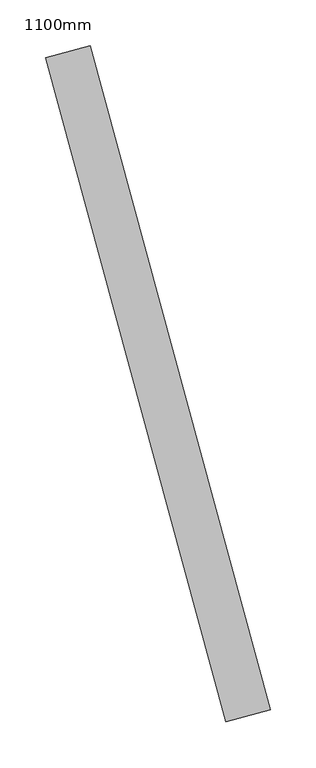
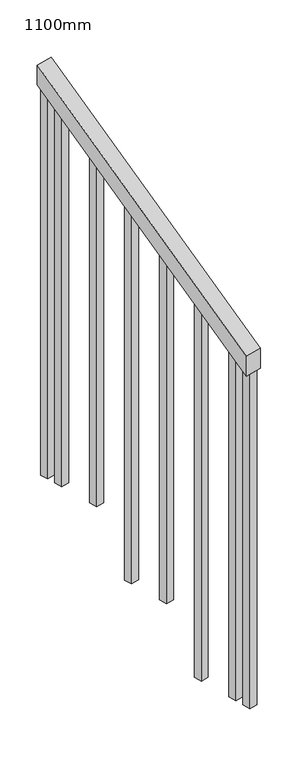
"""IFC4 building model written with IfcOpenShell, lengths in millimetres: railing geometry, 1100mm."""

from ifc_helpers import new_model, si_unit, frame, origin, place, context, project, spatial, polyline, outline, extrude, source, transform, mapped, element, save


def railing_1100mm_fb2a290f(model_context):
    return source(origin(), model_context, "Body", "SweptSolid", [
        extrude(outline(polyline([(-35.5555555, -50.0), (0.0, 0.0), (920.2958461, 0.0), (884.7402906, -50.0), (-35.5555555, -50.0)])), frame((218807.3969407, 77059.6289888, 1277.7777778), z_axis=(0.9649894123601852, 0.2622888370341834, 0.0), x_axis=(-0.21375368431595657, 0.7864232597554157, 0.5795237863599908)), (0.0, 0.0, 1.0), 50.0),
        extrude(outline(polyline([(108.8888889, 0.0), (91.1111112, 25.0), (1271.980277, 25.0), (1271.980277, 0.0), (108.8888889, 0.0)])), frame((218642.4143434, 77714.2754526, 1805.3136103), z_axis=(0.9649894123601821, 0.2622888370341949, 0.0), x_axis=(0.0, 0.0, -1.0)), (0.0, 0.0, 1.0), 25.0),
        extrude(outline(polyline([(108.8888889, 0.0), (91.1111111, 25.0000001), (1183.0913881, 25.0000001), (1183.0913881, 0.0), (108.8888889, 0.0)])), frame((218675.200448, 77593.651776, 1716.4247214), z_axis=(0.9649894123601821, 0.2622888370341949, 0.0), x_axis=(0.0, 0.0, -1.0)), (0.0, 0.0, 1.0), 25.0),
        extrude(outline(polyline([(108.8888889, 0.0), (91.1111111, 25.0), (1271.9802769, 25.0), (1271.9802769, 0.0), (108.8888889, 0.0)])), frame((218707.9865526, 77473.0280995, 1627.5358325), z_axis=(0.9649894123601821, 0.2622888370341949, 0.0), x_axis=(0.0, 0.0, -1.0)), (0.0, 0.0, 1.0), 25.0),
        extrude(outline(polyline([(108.8888889, 0.0), (91.1111111, 25.0), (1183.091388, 25.0), (1183.091388, 0.0), (108.8888889, 0.0)])), frame((218740.7726573, 77352.404423, 1538.6469436), z_axis=(0.9649894123601821, 0.2622888370341949, 0.0), x_axis=(0.0, 0.0, -1.0)), (0.0, 0.0, 1.0), 25.0),
        extrude(outline(polyline([(108.8888889, 0.0), (91.1111111, 25.0), (1271.9802769, 25.0), (1271.9802769, 0.0), (108.8888889, 0.0)])), frame((218773.5587619, 77231.7807464, 1449.7580547), z_axis=(0.9649894123601821, 0.2622888370341949, 0.0), x_axis=(0.0, 0.0, -1.0)), (0.0, 0.0, 1.0), 25.0),
        extrude(outline(polyline([(108.8888889, 0.0), (91.1111111, 25.0), (1183.091388, 25.0), (1183.091388, 0.0), (108.8888889, 0.0)])), frame((218806.3448665, 77111.1570699, 1360.8691658), z_axis=(0.9649894123601821, 0.2622888370341949, 0.0), x_axis=(0.0, 0.0, -1.0)), (0.0, 0.0, 1.0), 25.0),
        extrude(outline(polyline([(108.8888889, 0.0), (91.1111111, 25.0), (1307.5358325, 25.0), (1307.5358325, 0.0), (108.8888889, 0.0)])), frame((218629.2999015, 77762.5249232, 1840.8691658), z_axis=(0.9649894123601821, 0.2622888370341949, 0.0), x_axis=(0.0, 0.0, -1.0)), (0.0, 0.0, 1.0), 25.0),
        extrude(outline(polyline([(108.8888889, 0.0), (91.1111112, 25.0), (1147.5358325, 25.0), (1147.5358325, 0.0), (108.8888889, 0.0)])), frame((218819.4593084, 77062.9075993, 1325.3136103), z_axis=(0.9649894123601821, 0.2622888370341949, 0.0), x_axis=(0.0, 0.0, -1.0)), (0.0, 0.0, 1.0), 25.0),
    ])


if __name__ == "__main__":
    model = new_model("IFC4")
    model_context = context("Model", 3, world=origin())
    ifc_project = project(units=[si_unit("LENGTHUNIT", "METRE", prefix="MILLI")], contexts=[model_context])
    site = spatial("IfcSite", under=ifc_project)
    building = spatial("IfcBuilding", under=site)
    placement = place(None, origin())
    railing_1100mm_shape = railing_1100mm_fb2a290f(model_context)
    element("IfcRailing", 1, ObjectType="1100mm", at=placement, inside=building, context=model_context, shape_type="MappedRepresentation", body=[
        mapped(railing_1100mm_shape, transform((0.0, 0.0, 0.0), x_axis=(1.0, 0.0, 0.0), y_axis=(0.0, 1.0, 0.0), z_axis=(0.0, 0.0, 1.0))),
    ])
    save(model, "model.ifc")
